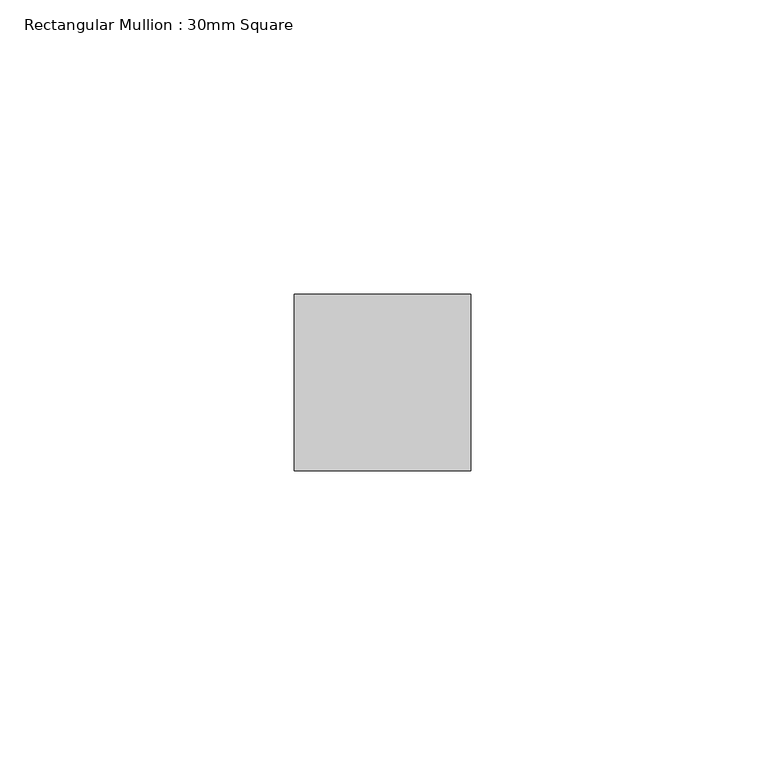
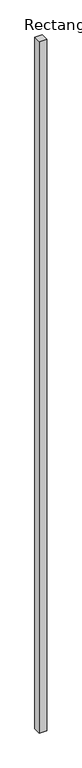
"""IFC4 building model written with IfcOpenShell, lengths in millimetres: member geometry, Rectangular Mullion : 30mm Square."""

import ifcopenshell
import ifcopenshell.guid

model = None  # the IFC model being written
_history = None  # IfcOwnerHistory: only IFC2X3 demands one
_inside = {}  # id of a spatial element -> (the spatial element, [elements in it])
_under = {}  # id of a project, library or spatial element -> (it, [spatial elements below it])
_declared = {}  # id of a project -> (the project, [libraries it declares])
_typed = {}  # id of a type object -> (the type object, [elements of that type])
_made_of = {}  # id of a material, layer set ... -> (it, [elements and type objects made of it])


def new_model(schema):
    """Start an empty IFC model of exactly this schema.

    Asked for "IFC4X3", IfcOpenShell would pick the latest addendum, in which some entities
    have other attributes; the version numbers below select the first issue.
    IFC2X3 requires an IfcOwnerHistory on every rooted entity: one is made here for all.
    """
    global model, _history
    if schema == "IFC4X3":
        model = ifcopenshell.file(schema_version=(4, 3, 0, 0))
    else:
        model = ifcopenshell.file(schema=schema)
    _inside.clear()
    _under.clear()
    _declared.clear()
    _typed.clear()
    _made_of.clear()
    _history = None
    if model.schema == "IFC2X3":
        org = make("IfcOrganization", Name="unknown")
        user = make(
            "IfcPersonAndOrganization",
            ThePerson=make("IfcPerson", FamilyName="unknown"),
            TheOrganization=org,
        )
        app = make(
            "IfcApplication",
            ApplicationDeveloper=org,
            Version="unknown",
            ApplicationFullName="unknown",
            ApplicationIdentifier="unknown",
        )
        _history = make(
            "IfcOwnerHistory",
            OwningUser=user,
            OwningApplication=app,
            ChangeAction="ADDED",
            CreationDate=0,
        )
    return model


def make(cls, **values):
    """One entity of the class cls with the attributes given. An attribute that is None is left unset."""
    return model.create_entity(
        cls, **{name: value for name, value in values.items() if value is not None}
    )


def rooted(cls, **values):
    """An entity with a GlobalId (a new one), such as an element, a storey or a relation."""
    return make(cls, GlobalId=ifcopenshell.guid.new(), OwnerHistory=_history, **values)


def si_unit(unit_type, name, prefix=None):
    """IfcSIUnit, for example si_unit("LENGTHUNIT", "METRE", prefix="MILLI")."""
    return make("IfcSIUnit", UnitType=unit_type, Prefix=prefix, Name=name)


def assignment(units):
    """IfcUnitAssignment: the units of a project."""
    return None if units is None else make("IfcUnitAssignment", Units=units)


def point(xyz):
    """IfcCartesianPoint."""
    return None if xyz is None else make("IfcCartesianPoint", Coordinates=xyz)


def direction(xyz):
    """IfcDirection."""
    return None if xyz is None else make("IfcDirection", DirectionRatios=xyz)


def frame(location, z_axis=None, x_axis=None):
    """IfcAxis2Placement3D, a coordinate frame: its origin and axes. An axis left out is left unset."""
    return make(
        "IfcAxis2Placement3D",
        Location=point(location),
        Axis=direction(z_axis),
        RefDirection=direction(x_axis),
    )


def origin():
    """The frame at (0, 0, 0) with its axes left unset."""
    return frame((0.0, 0.0, 0.0))


def place(relative_to, where):
    """IfcLocalPlacement: puts the frame where relative to a parent placement (None: the world)."""
    return make(
        "IfcLocalPlacement", PlacementRelTo=relative_to, RelativePlacement=where
    )


def context(
    kind, dimensions, precision=None, world=None, true_north=None, identifier=None
):
    """IfcGeometricRepresentationContext, for example the 3D "Model" context."""
    return make(
        "IfcGeometricRepresentationContext",
        ContextIdentifier=identifier,
        ContextType=kind,
        CoordinateSpaceDimension=dimensions,
        Precision=precision,
        WorldCoordinateSystem=world,
        TrueNorth=true_north,
    )


def project(units=None, contexts=None):
    """IfcProject with its units and contexts."""
    return rooted(
        "IfcProject",
        Name="project",
        RepresentationContexts=contexts,
        UnitsInContext=assignment(units),
    )


def spatial(cls, under=None, at=None, **own):
    """A site, building, storey or space (cls), placed at a placement, below another one or the project."""
    s = rooted(cls, ObjectPlacement=at, **own)
    if under is not None:
        _under.setdefault(under.id(), (under, []))[1].append(s)
    return s


def polyline(points):
    """IfcPolyline through the points."""
    return make("IfcPolyline", Points=[point(p) for p in points])


def outline(outer, holes=None, kind="AREA"):
    """IfcArbitraryClosedProfileDef: a profile drawn as a closed curve; with holes, ...WithVoids."""
    if holes is None:
        return make("IfcArbitraryClosedProfileDef", ProfileType=kind, OuterCurve=outer)
    return make(
        "IfcArbitraryProfileDefWithVoids",
        ProfileType=kind,
        OuterCurve=outer,
        InnerCurves=holes,
    )


def extrude(swept, where, along, depth):
    """IfcExtrudedAreaSolid: the profile swept, set in the frame where, extruded along a direction by depth."""
    return make(
        "IfcExtrudedAreaSolid",
        SweptArea=swept,
        Position=where,
        ExtrudedDirection=direction(along),
        Depth=depth,
    )


def shape(context_of_items, identifier, shape_type, items):
    """IfcShapeRepresentation: the items that make up one representation, for example the "Body"."""
    return make(
        "IfcShapeRepresentation",
        ContextOfItems=context_of_items,
        RepresentationIdentifier=identifier,
        RepresentationType=shape_type,
        Items=items,
    )


def source(mapping_origin, context_of_items, identifier, shape_type, items):
    """IfcRepresentationMap: a shape defined once, which mapped items show again and again."""
    return make(
        "IfcRepresentationMap",
        MappingOrigin=mapping_origin,
        MappedRepresentation=shape(context_of_items, identifier, shape_type, items),
    )


def transform(
    local_origin,
    x_axis=None,
    y_axis=None,
    z_axis=None,
    scale=None,
    scale2=None,
    scale3=None,
    uniform=True,
):
    """IfcCartesianTransformationOperator3D, or its non-uniform kind. x_axis, y_axis, z_axis: its Axis1, 2, 3."""
    if uniform:
        return make(
            "IfcCartesianTransformationOperator3D",
            Axis1=direction(x_axis),
            Axis2=direction(y_axis),
            LocalOrigin=point(local_origin),
            Scale=scale,
            Axis3=direction(z_axis),
        )
    return make(
        "IfcCartesianTransformationOperator3DnonUniform",
        Axis1=direction(x_axis),
        Axis2=direction(y_axis),
        LocalOrigin=point(local_origin),
        Scale=scale,
        Axis3=direction(z_axis),
        Scale2=scale2,
        Scale3=scale3,
    )


def mapped(mapping_source, mapping_target):
    """IfcMappedItem: shows the shape of a source again, moved by a transform."""
    return make(
        "IfcMappedItem", MappingSource=mapping_source, MappingTarget=mapping_target
    )


def made_of(thing, what):
    """Note that an element or type object is made of a material, layer set ...; save() writes the relation."""
    if what is not None:
        _made_of.setdefault(what.id(), (what, []))[1].append(thing)
    return thing


def element(
    cls,
    number,
    at=None,
    inside=None,
    cuts=None,
    type_object=None,
    material=None,
    context=None,
    identifier="Body",
    shape_type=None,
    held_by="IfcProductDefinitionShape",
    body=None,
    shapes=None,
    **own,
):
    """One element of the class cls, such as IfcWall. Its Tag is "e" and its number.

    at: its placement. inside: the storey or other place that contains it. cuts: it is an
    opening in that element (IfcRelVoidsElement). A single representation is given by context,
    identifier, shape_type and body (its items); several are given by shapes. held_by: the class
    of the entity that holds the representations. save() writes the other relations.
    """
    e = rooted(cls, Tag="e%d" % number, ObjectPlacement=at, **own)
    if body is not None:
        shapes = [shape(context, identifier, shape_type, body)]
    if shapes is not None:
        e.Representation = make(held_by, Representations=shapes)
    if inside is not None:
        _inside.setdefault(inside.id(), (inside, []))[1].append(e)
    if cuts is not None:
        rooted(
            "IfcRelVoidsElement", RelatingBuildingElement=cuts, RelatedOpeningElement=e
        )
    if type_object is not None:
        _typed.setdefault(type_object.id(), (type_object, []))[1].append(e)
    return made_of(e, material)


def aggregate(whole, parts):
    """IfcRelAggregates: a whole, such as a stair, and the parts it consists of."""
    return rooted("IfcRelAggregates", RelatingObject=whole, RelatedObjects=parts)


def save(model, path):
    """Write the relations noted so far, then the file.

    IfcRelAggregates (storeys below a building ...), IfcRelContainedInSpatialStructure (elements
    in a storey), IfcRelDefinesByType, IfcRelAssociatesMaterial and IfcRelDeclares: one each for
    every whole, place, type object, material and project.
    """
    for whole, parts in _under.values():
        aggregate(whole, parts)
    for where, things in _inside.values():
        rooted(
            "IfcRelContainedInSpatialStructure",
            RelatedElements=things,
            RelatingStructure=where,
        )
    for kind, things in _typed.values():
        rooted("IfcRelDefinesByType", RelatedObjects=things, RelatingType=kind)
    for what, things in _made_of.values():
        rooted("IfcRelAssociatesMaterial", RelatedObjects=things, RelatingMaterial=what)
    for by, libraries in _declared.values():
        rooted("IfcRelDeclares", RelatingContext=by, RelatedDefinitions=libraries)
    model.write(path)


def rectangular_mullion_30mm_square_d09e2ed9(model_context):
    return source(origin(), model_context, "Body", "SweptSolid", [
        extrude(outline(polyline([(0.0, 15.0), (0.0, -15.0), (-30.0, -15.0), (-30.0, 15.0), (0.0, 15.0)])), frame((0.0, 0.0, -2940.0), z_axis=(0.0, 0.0, 1.0), x_axis=(1.0, 0.0, 0.0)), (0.0, 0.0, 1.0), 2940.0),
    ])


if __name__ == "__main__":
    model = new_model("IFC4")
    model_context = context("Model", 3, world=origin())
    ifc_project = project(units=[si_unit("LENGTHUNIT", "METRE", prefix="MILLI")], contexts=[model_context])
    site = spatial("IfcSite", under=ifc_project)
    building = spatial("IfcBuilding", under=site)
    placement = place(None, origin())
    rectangular_mullion_30mm_square_shape = rectangular_mullion_30mm_square_d09e2ed9(model_context)
    element("IfcMember", 1, ObjectType="Rectangular Mullion : 30mm Square", at=placement, inside=building, context=model_context, shape_type="MappedRepresentation", body=[
        mapped(rectangular_mullion_30mm_square_shape, transform((0.0, 0.0, 0.0), x_axis=(1.0, 0.0, 0.0), y_axis=(0.0, 1.0, 0.0), z_axis=(0.0, 0.0, 1.0))),
    ])
    save(model, "model.ifc")
